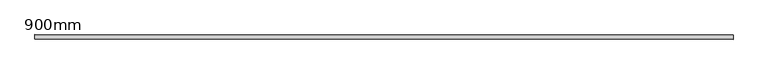
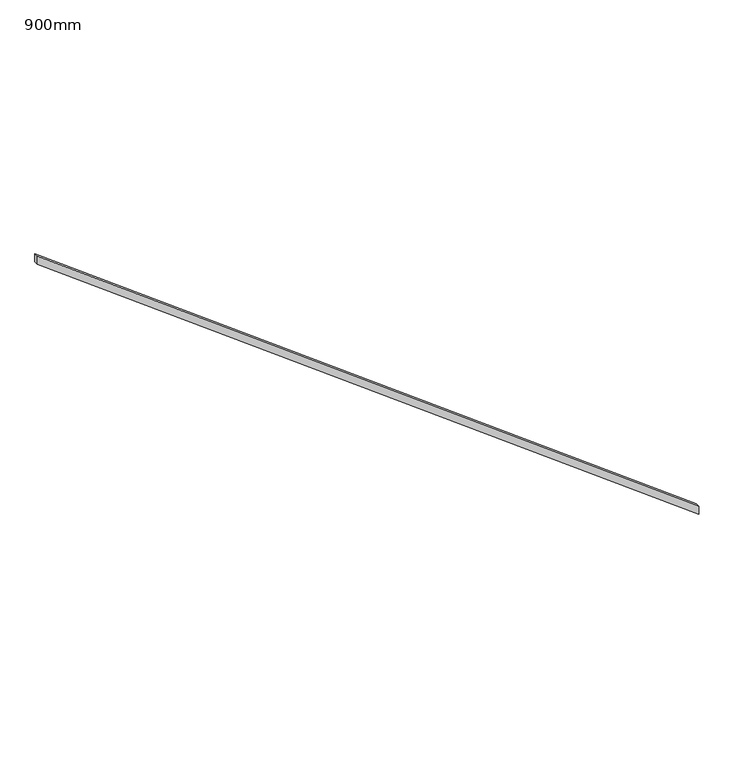
"""IFC4 building model written with IfcOpenShell, lengths in millimetres: railing geometry, 900mm."""

from ifc_helpers import new_model, si_unit, frame, origin, place, context, project, spatial, polyline, outline, extrude, source, transform, mapped, element, save


def railing_900mm_4aaa5624(model_context):
    return source(origin(), model_context, "Body", "SweptSolid", [
        extrude(outline(polyline([(1242.25, 156897.861144), (1337.5, 156897.861144), (7150.0, 149147.861144), (7054.75, 149147.861144), (1242.25, 156897.861144)])), frame((0.0, 71739.3663525, 0.0), z_axis=(0.0, 1.0, 0.0), x_axis=(0.0, 0.0, 1.0)), (0.0, 0.0, 1.0), 50.8),
    ])


if __name__ == "__main__":
    model = new_model("IFC4")
    model_context = context("Model", 3, world=origin())
    ifc_project = project(units=[si_unit("LENGTHUNIT", "METRE", prefix="MILLI")], contexts=[model_context])
    site = spatial("IfcSite", under=ifc_project)
    building = spatial("IfcBuilding", under=site)
    placement = place(None, origin())
    railing_900mm_shape = railing_900mm_4aaa5624(model_context)
    element("IfcRailing", 1, ObjectType="900mm", at=placement, inside=building, context=model_context, shape_type="MappedRepresentation", body=[
        mapped(railing_900mm_shape, transform((0.0, 0.0, 0.0), x_axis=(1.0, 0.0, 0.0), y_axis=(0.0, 1.0, 0.0), z_axis=(0.0, 0.0, 1.0))),
    ])
    save(model, "model.ifc")
